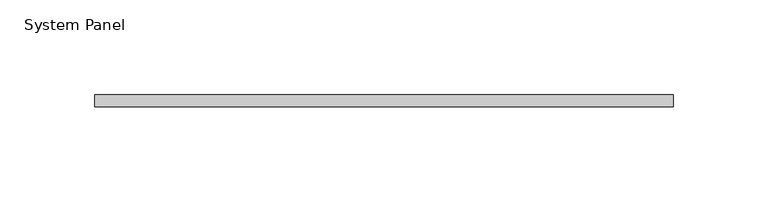
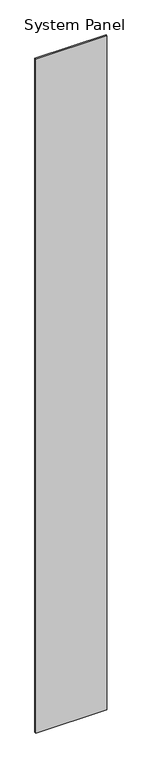
"""IFC4 building model written with IfcOpenShell, lengths in millimetres: plate geometry, System Panel."""

from ifc_helpers import new_model, si_unit, origin, origin_with_axes, place, context, project, spatial, polyline, outline, extrude, source, transform, mapped, element, save


def system_panel_b3072ef9(model_context):
    return source(origin(), model_context, "Body", "SweptSolid", [
        extrude(outline(polyline([(152.3915694, 0.0), (-152.3915694, 0.0), (-152.3915694, 6.35), (152.3915694, 6.35), (152.3915694, 0.0)])), origin_with_axes(), (0.0, 0.0, 1.0), 3048.0),
    ])


if __name__ == "__main__":
    model = new_model("IFC4")
    model_context = context("Model", 3, world=origin())
    ifc_project = project(units=[si_unit("LENGTHUNIT", "METRE", prefix="MILLI")], contexts=[model_context])
    site = spatial("IfcSite", under=ifc_project)
    building = spatial("IfcBuilding", under=site)
    placement = place(None, origin())
    system_panel_shape = system_panel_b3072ef9(model_context)
    element("IfcPlate", 1, ObjectType="System Panel", at=placement, inside=building, context=model_context, shape_type="MappedRepresentation", body=[
        mapped(system_panel_shape, transform((0.0, 0.0, 0.0), x_axis=(1.0, 0.0, 0.0), y_axis=(0.0, 1.0, 0.0), z_axis=(0.0, 0.0, 1.0))),
    ])
    save(model, "model.ifc")
